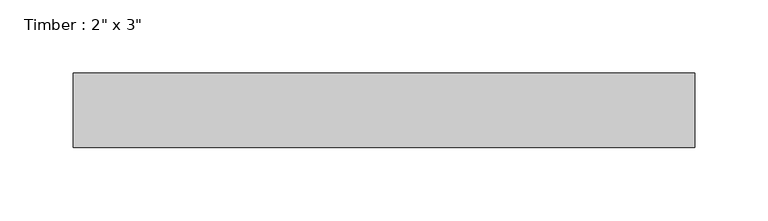
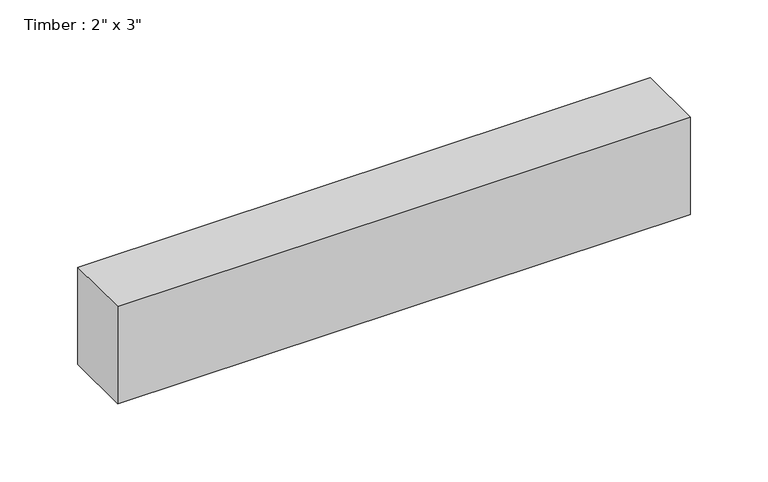
"""IFC4 building model written with IfcOpenShell, lengths in millimetres: beam geometry."""

from ifc_helpers import new_model, si_unit, frame, origin, place, context, project, spatial, polyline, outline, extrude, source, transform, mapped, element, save


def beam_752eaa0d(model_context):
    return source(origin(), model_context, "Body", "SweptSolid", [
        extrude(outline(polyline([(211.912378, 25.4), (211.912378, -25.4), (-211.912378, -25.4), (-211.912378, 25.4), (211.912378, 25.4)])), frame((0.0, 0.0, -38.1), z_axis=(0.0, 0.0, 1.0), x_axis=(1.0, 0.0, 0.0)), (0.0, 0.0, 1.0), 76.2),
    ])


if __name__ == "__main__":
    model = new_model("IFC4")
    model_context = context("Model", 3, world=origin())
    ifc_project = project(units=[si_unit("LENGTHUNIT", "METRE", prefix="MILLI")], contexts=[model_context])
    site = spatial("IfcSite", under=ifc_project)
    building = spatial("IfcBuilding", under=site)
    placement = place(None, origin())
    beam_shape = beam_752eaa0d(model_context)
    element("IfcBeam", 1, ObjectType="Timber : 2\" x 3\"", at=placement, inside=building, context=model_context, shape_type="MappedRepresentation", body=[
        mapped(beam_shape, transform((0.0, 0.0, 0.0), x_axis=(1.0, 0.0, 0.0), y_axis=(0.0, 1.0, 0.0), z_axis=(0.0, 0.0, 1.0))),
    ])
    save(model, "model.ifc")
